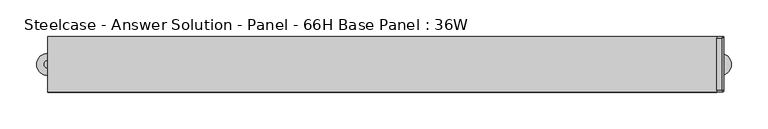
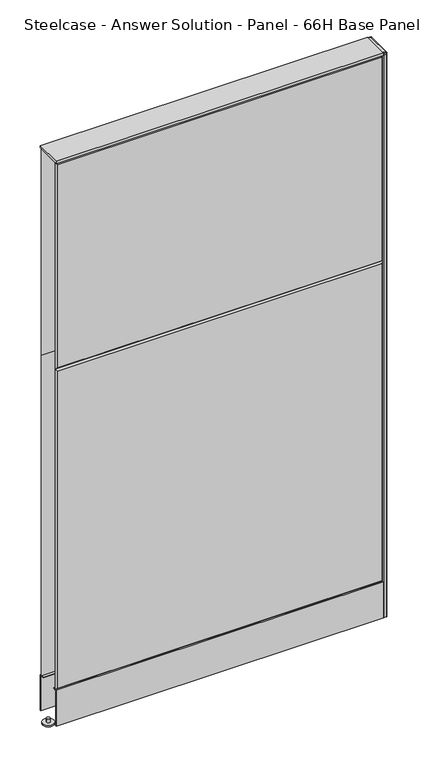
"""IFC4 building model written with IfcOpenShell, lengths in millimetres: furniture geometry, Steelcase - Answer Solution - Panel - 66H Base Panel : 36W."""

from ifc_helpers import new_model, si_unit, point, frame, frame_2d, origin, place, context, project, spatial, polyline, circle_curve, trimmed, segment, composite_curve, outline, extrude, faceted_brep, source, transform, mapped, element, save
from ifc_brep_helpers import plane_surface, spline_surface, advanced_brep


def steelcase_answer_solution_panel_66h_base_panel_36w_d05153d6(model_context):
    return source(origin(), model_context, "Body", "SolidModel", [
        extrude(outline(composite_curve([segment(trimmed(circle_curve(frame_2d((462.28, 0.0320214)), 5.08), [point((467.36, 0.0320214))], [point((457.2, 0.0320214))], False, "CARTESIAN"), True, "CONTINUOUS"), segment(trimmed(circle_curve(frame_2d((462.28, 0.0320214)), 5.08), [point((457.2, 0.0320214))], [point((467.36, 0.0320214))], False, "CARTESIAN"), True, "CONTINUOUS")], self_intersect=False)), frame((0.0, 0.0, 5.0799671), z_axis=(0.0, 0.0, 1.0), x_axis=(1.0, 0.0, 0.0)), (0.0, 0.0, 1.0), 10.414),
        extrude(outline(composite_curve([segment(trimmed(circle_curve(frame_2d((462.28, 0.0320214)), 15.24), [point((477.52, 0.0320214))], [point((447.04, 0.0320214))], False, "CARTESIAN"), True, "CONTINUOUS"), segment(trimmed(circle_curve(frame_2d((462.28, 0.0320214)), 15.24), [point((447.04, 0.0320214))], [point((477.52, 0.0320214))], False, "CARTESIAN"), True, "CONTINUOUS")], self_intersect=False)), frame((0.0, 0.0, -3.29e-05), z_axis=(0.0, 0.0, 1.0), x_axis=(1.0, 0.0, 0.0)), (0.0, 0.0, 1.0), 5.08),
        advanced_brep(
        [(464.5406, -35.2485592, 1682.7499671), (464.5406, 35.3126408, 1682.7499671), (457.2, 35.3126408, 1682.7499671), (457.2, -35.2485592, 1682.7499671), (465.4151197, -38.0679592, 1680.8704), (467.36, -36.1230789, 1680.8704), (467.36, 36.2403105, 1680.8704), (465.4682696, 38.1320408, 1680.8704), (457.2, 38.1320408, 1680.8704), (457.2, -38.0679592, 1680.8704)],
        [
            (0, 1),
            (1, 2),
            (2, 3),
            (3, 0),
            (4, 5, circle_curve(frame((465.4151197, -36.1230789, 1680.8704), z_axis=(0.0, 0.0, 1.0), x_axis=(0.0, 1.0, 0.0)), 1.9448803)),
            (5, 0),
            (0, 4),
            (5, 6),
            (6, 1),
            (6, 7, circle_curve(frame((465.4682696, 36.2403105, 1680.8704), z_axis=(0.0, 0.0, 1.0), x_axis=(0.0, 1.0, 0.0)), 1.8917304)),
            (7, 1),
            (7, 8),
            (8, 2),
            (8, 9),
            (9, 3),
            (9, 4),
        ],
        [
            plane_surface(frame((460.8703, 0.0320408, 1682.7499671), z_axis=(0.0, 0.0, 1.0), x_axis=(0.0, 1.0, 0.0))),
            spline_surface(2, 1, [[(465.4151197, -38.0679592, 1680.8704), (464.5406, -35.2485592, 1682.7499671)], [(467.36, -38.06795919999997, 1680.8704), (464.5406, -35.2485592, 1682.7499671)], [(467.36, -36.1230789, 1680.8704), (464.5406, -35.2485592, 1682.7499671)]], [3, 3], [2, 2], [0.0, 1.0], [0.0, 1.0], weights=[[1.0, 1.0], [0.7071067811865527, 0.7071067811865527], [1.0, 1.0]]),
            plane_surface(frame((467.36, 0.0586158, 1680.8704), z_axis=(0.554693465401931, 0.0, 0.832054781514052), x_axis=(0.0, 1.0, 0.0))),
            spline_surface(2, 1, [[(467.36, 36.2403105, 1680.8704), (464.5406, 35.3126408, 1682.7499671)], [(467.36000010000004, 38.13204090000003, 1680.8704), (464.5406, 35.3126408, 1682.7499671)], [(465.4682696, 38.1320408, 1680.8704), (464.5406, 35.3126408, 1682.7499671)]], [3, 3], [2, 2], [0.0, 1.0], [0.0, 1.0], weights=[[1.0, 1.0], [0.7071067624971249, 0.7071067624971249], [1.0, 1.0]]),
            plane_surface(frame((461.3341348, 38.1320408, 1680.8704), z_axis=(0.0, 0.5546934654026133, 0.8320547815135972), x_axis=(-1.0, 0.0, 0.0))),
            plane_surface(frame((457.2, 0.0320408, 1680.8704), z_axis=(-1.0, 0.0, 0.0), x_axis=(0.0, -1.0, 0.0))),
            plane_surface(frame((461.3075599, -38.0679592, 1680.8704), z_axis=(0.0, -0.5546934654017167, 0.8320547815141949), x_axis=(1.0, 0.0, 0.0))),
            plane_surface(frame((463.3338982, 0.0408991, 1680.8704), z_axis=(0.0, 0.0, -1.0), x_axis=(0.0, 1.0, 0.0))),
        ],
        [
            (0, [[1, 2, 3, 4]]),
            (1, [[5, 6, 7]]),
            (2, [[8, 9, -1, -6]]),
            (3, [[10, 11, -9]]),
            (4, [[12, 13, -2, -11]]),
            (5, [[14, 15, -3, -13]]),
            (6, [[16, -7, -4, -15]]),
            (7, [[-16, -14, -12, -10, -8, -5]]),
        ],
    ),
        extrude(outline(composite_curve([segment(polyline([(467.36, 36.2403105), (467.36, -36.1230789)]), True, "CONTINUOUS"), segment(trimmed(circle_curve(frame_2d((465.4151197, -36.1230789)), 1.9448803), [point((467.36, -36.1230789))], [point((465.4151197, -38.0679592))], False, "CARTESIAN"), True, "CONTINUOUS"), segment(polyline([(465.4151197, -38.0679592), (457.2, -38.0679592), (457.2, 38.1320408), (465.4682696, 38.1320408)]), True, "CONTINUOUS"), segment(trimmed(circle_curve(frame_2d((465.4682696, 36.2403105)), 1.8917304), [point((465.4682696, 38.1320408))], [point((467.36, 36.2403105))], False, "CARTESIAN"), True, "CONTINUOUS")], self_intersect=False)), frame((0.0, 0.0, 1675.4348), z_axis=(0.0, 0.0, 1.0), x_axis=(1.0, 0.0, 0.0)), (0.0, 0.0, 1.0), 5.4356),
        extrude(outline(composite_curve([segment(polyline([(467.36, 36.2599466), (467.36, -36.1273143)]), True, "CONTINUOUS"), segment(trimmed(circle_curve(frame_2d((465.4193552, -36.1273143)), 1.9406448), [point((467.36, -36.1273143))], [point((465.4193552, -38.0679592))], False, "CARTESIAN"), True, "CONTINUOUS"), segment(polyline([(465.4193552, -38.0679592), (457.2, -38.0679592), (457.2, 38.1320408), (465.4879058, 38.1320408)]), True, "CONTINUOUS"), segment(trimmed(circle_curve(frame_2d((465.4879058, 36.2599466)), 1.8720942), [point((465.4879058, 38.1320408))], [point((467.36, 36.2599466))], False, "CARTESIAN"), True, "CONTINUOUS")], self_intersect=False)), frame((0.0, 0.0, 15.4939671), z_axis=(0.0, 0.0, 1.0), x_axis=(1.0, 0.0, 0.0)), (0.0, 0.0, 1.0), 1659.9408329),
        extrude(outline(composite_curve([segment(trimmed(circle_curve(frame_2d((-457.2, 0.0320214)), 5.08), [point((-462.28, 0.0320214))], [point((-452.12, 0.0320214))], False, "CARTESIAN"), True, "CONTINUOUS"), segment(trimmed(circle_curve(frame_2d((-457.2, 0.0320214)), 5.08), [point((-452.12, 0.0320214))], [point((-462.28, 0.0320214))], False, "CARTESIAN"), True, "CONTINUOUS")], self_intersect=False)), frame((0.0, 0.0, 5.0799671), z_axis=(0.0, 0.0, 1.0), x_axis=(1.0, 0.0, 0.0)), (0.0, 0.0, 1.0), 10.414),
        extrude(outline(composite_curve([segment(trimmed(circle_curve(frame_2d((-457.2, 0.0320214)), 15.24), [point((-472.44, 0.0320214))], [point((-441.96, 0.0320214))], False, "CARTESIAN"), True, "CONTINUOUS"), segment(trimmed(circle_curve(frame_2d((-457.2, 0.0320214)), 15.24), [point((-441.96, 0.0320214))], [point((-472.44, 0.0320214))], False, "CARTESIAN"), True, "CONTINUOUS")], self_intersect=False)), frame((0.0, 0.0, -3.29e-05), z_axis=(0.0, 0.0, 1.0), x_axis=(1.0, 0.0, 0.0)), (0.0, 0.0, 1.0), 5.08),
        faceted_brep([(-452.374, 38.1635011, 1671.574), (452.374, 38.1635011, 1671.574), (452.374, 38.1635011, 1071.626), (-452.374, 38.1635011, 1071.626), (-457.2, 33.3375011, 1676.4), (-457.2, 33.3375011, 1066.8), (457.2, 33.3375011, 1066.8), (457.2, 33.3375011, 1676.4)], [[[0, 1, 2, 3]], [[4, 5, 6, 7]], [[4, 7, 1, 0]], [[7, 6, 2, 1]], [[6, 5, 3, 2]], [[5, 4, 0, 3]]]),
        faceted_brep([(-452.374, 38.1635011, 1061.974), (452.374, 38.1635011, 1061.974), (452.374, 38.1635011, 125.476), (-452.374, 38.1635011, 125.476), (-457.2, 33.3375011, 1066.8), (-457.2, 33.3375011, 120.65), (457.2, 33.3375011, 120.65), (457.2, 33.3375011, 1066.8)], [[[0, 1, 2, 3]], [[4, 5, 6, 7]], [[4, 7, 1, 0]], [[7, 6, 2, 1]], [[6, 5, 3, 2]], [[5, 4, 0, 3]]]),
        faceted_brep([(452.374, -38.1635011, 1671.574), (-452.374, -38.1635011, 1671.574), (-452.374, -38.1635011, 1071.626), (452.374, -38.1635011, 1071.626), (457.2, -33.3375011, 1676.4), (457.2, -33.3375011, 1066.8), (-457.2, -33.3375011, 1066.8), (-457.2, -33.3375011, 1676.4)], [[[0, 1, 2, 3]], [[4, 5, 6, 7]], [[4, 7, 1, 0]], [[7, 6, 2, 1]], [[6, 5, 3, 2]], [[5, 4, 0, 3]]]),
        faceted_brep([(452.374, -38.1635011, 1061.974), (-452.374, -38.1635011, 1061.974), (-452.374, -38.1635011, 125.476), (452.374, -38.1635011, 125.476), (457.2, -33.3375011, 1066.8), (457.2, -33.3375011, 120.65), (-457.2, -33.3375011, 120.65), (-457.2, -33.3375011, 1066.8)], [[[0, 1, 2, 3]], [[4, 5, 6, 7]], [[4, 7, 1, 0]], [[7, 6, 2, 1]], [[6, 5, 3, 2]], [[5, 4, 0, 3]]]),
        extrude(outline(polyline([(457.2, 38.1000194), (457.2, -38.1000194), (-457.2, -38.1000194), (-457.2, 38.1000194), (457.2, 38.1000194)])), frame((0.0, 0.0, 1676.4), z_axis=(0.0, 0.0, 1.0), x_axis=(1.0, 0.0, 0.0)), (0.0, 0.0, 1.0), 6.35),
        extrude(outline(polyline([(25.4000011, 119.8575157), (25.4000011, 120.65), (38.1000194, 120.65), (38.1000194, 15.494), (37.3075215, 15.494), (37.3075215, 119.8575157), (25.4000011, 119.8575157)])), frame((-457.2, 0.0, 0.0), z_axis=(1.0, 0.0, 0.0), x_axis=(0.0, 1.0, 0.0)), (0.0, 0.0, 1.0), 914.4),
        extrude(outline(polyline([(-25.4000011, 119.8575157), (-37.3075215, 119.8575157), (-37.3075215, 15.494), (-38.1000194, 15.494), (-38.1000194, 120.65), (-25.4000011, 120.65), (-25.4000011, 119.8575157)])), frame((-457.2, 0.0, 0.0), z_axis=(1.0, 0.0, 0.0), x_axis=(0.0, 1.0, 0.0)), (0.0, 0.0, 1.0), 914.4),
    ])


if __name__ == "__main__":
    model = new_model("IFC4")
    model_context = context("Model", 3, world=origin())
    ifc_project = project(units=[si_unit("LENGTHUNIT", "METRE", prefix="MILLI")], contexts=[model_context])
    site = spatial("IfcSite", under=ifc_project)
    building = spatial("IfcBuilding", under=site)
    placement = place(None, origin())
    steelcase_answer_solution_panel_66h_base_panel_36w_shape = steelcase_answer_solution_panel_66h_base_panel_36w_d05153d6(model_context)
    element("IfcFurniture", 1, ObjectType="Steelcase - Answer Solution - Panel - 66H Base Panel : 36W", at=placement, inside=building, context=model_context, shape_type="MappedRepresentation", body=[
        mapped(steelcase_answer_solution_panel_66h_base_panel_36w_shape, transform((0.0, 0.0, 0.0), x_axis=(1.0, 0.0, 0.0), y_axis=(0.0, 1.0, 0.0), z_axis=(0.0, 0.0, 1.0))),
    ])
    save(model, "model.ifc")
